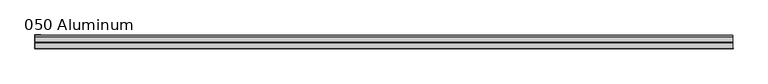
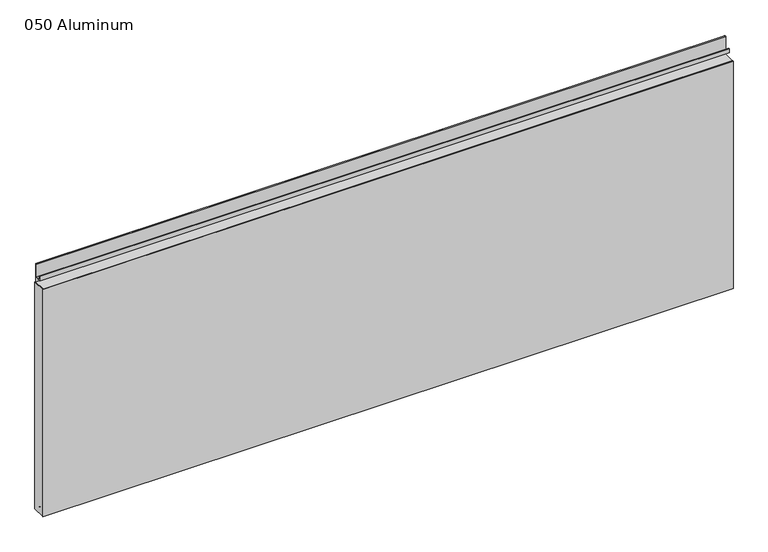
"""IFC4 building model written with IfcOpenShell, lengths in millimetres: plate geometry, 050 Aluminum."""

from ifc_helpers import new_model, si_unit, point, frame, frame_2d, origin, origin_with_axes, place, context, project, spatial, polyline, circle_curve, trimmed, segment, composite_curve, outline, extrude, source, transform, mapped, element, save


def plate_050_aluminum_8d977285(model_context):
    return source(origin(), model_context, "Body", "SweptSolid", [
        extrude(outline(polyline([(-873.19109, -2.5660257), (-873.19109, -34.7980001), (-874.4610899, -34.7980001), (-874.4610899, -1.2699999), (-860.3005894, -1.2699999), (-860.3005894, -2.5660257), (-873.19109, -2.5660257)])), origin_with_axes(), (0.0, 0.0, 1.0), 608.33),
        extrude(outline(composite_curve([segment(polyline([(-16.6765477, 13.1458337), (-16.6765477, 2.786437), (-17.9464915, 2.786437), (-17.9464915, 13.1323356)]), True, "CONTINUOUS"), segment(trimmed(circle_curve(frame_2d((-19.8514743, 13.124237)), 1.905), [point((-17.9464915, 13.1323356))], [point((-21.7564743, 13.124237))], True, "CARTESIAN"), True, "CONTINUOUS"), segment(polyline([(-21.7564743, 13.124237), (-21.7564743, 0.0), (-34.7980002, 0.0), (-34.7980002, 1.2693678), (-23.0264743, 1.2693678), (-23.0264743, 13.124237)]), True, "CONTINUOUS"), segment(trimmed(circle_curve(frame_2d((-19.8514743, 13.124237)), 3.175), [point((-23.0264743, 13.124237))], [point((-16.6765477, 13.1458337))], False, "CARTESIAN"), True, "CONTINUOUS")], self_intersect=False)), frame((-873.19109, 0.0, 0.0), z_axis=(1.0, 0.0, 0.0), x_axis=(0.0, 1.0, 0.0)), (0.0, 0.0, 1.0), 1746.3821801),
        extrude(outline(composite_curve([segment(polyline([(-2.0574743, 656.7932001), (-2.0574743, 608.33), (-34.7980002, 608.33), (-34.7980002, 609.6000001), (-3.3274743, 609.6000001), (-3.3274743, 656.7932001)]), True, "CONTINUOUS"), segment(trimmed(circle_curve(frame_2d((-3.7084742, 656.7932001)), 0.3809999), [point((-3.3274743, 656.7932001))], [point((-4.0894742, 656.7932001))], True, "CARTESIAN"), True, "CONTINUOUS"), segment(polyline([(-4.0894742, 656.7932001), (-4.0894742, 622.3), (-20.4864742, 622.3), (-20.4864742, 633.6538), (-19.2164743, 633.6538), (-19.2164743, 623.57), (-5.3594742, 623.57), (-5.3594742, 656.7932001)]), True, "CONTINUOUS"), segment(trimmed(circle_curve(frame_2d((-3.7084742, 656.7932001)), 1.6509999), [point((-5.3594742, 656.7932001))], [point((-2.0574743, 656.7932001))], False, "CARTESIAN"), True, "CONTINUOUS")], self_intersect=False)), frame((-873.19109, 0.0, 0.0), z_axis=(1.0, 0.0, 0.0), x_axis=(0.0, 1.0, 0.0)), (0.0, 0.0, 1.0), 1746.3821801),
        extrude(outline(polyline([(-874.46109, -36.068), (-874.46109, -34.7980001), (874.46109, -34.7980001), (874.46109, -36.068), (-874.46109, -36.068)])), origin_with_axes(), (0.0, 0.0, 1.0), 609.6),
    ])


if __name__ == "__main__":
    model = new_model("IFC4")
    model_context = context("Model", 3, world=origin())
    ifc_project = project(units=[si_unit("LENGTHUNIT", "METRE", prefix="MILLI")], contexts=[model_context])
    site = spatial("IfcSite", under=ifc_project)
    building = spatial("IfcBuilding", under=site)
    placement = place(None, origin())
    plate_050_aluminum_shape = plate_050_aluminum_8d977285(model_context)
    element("IfcPlate", 1, ObjectType="050 Aluminum", at=placement, inside=building, context=model_context, shape_type="MappedRepresentation", body=[
        mapped(plate_050_aluminum_shape, transform((0.0, 0.0, 0.0), x_axis=(1.0, 0.0, 0.0), y_axis=(0.0, 1.0, 0.0), z_axis=(0.0, 0.0, 1.0))),
    ])
    save(model, "model.ifc")
